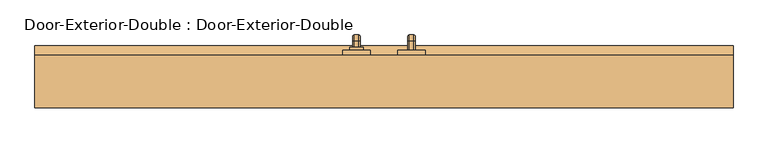
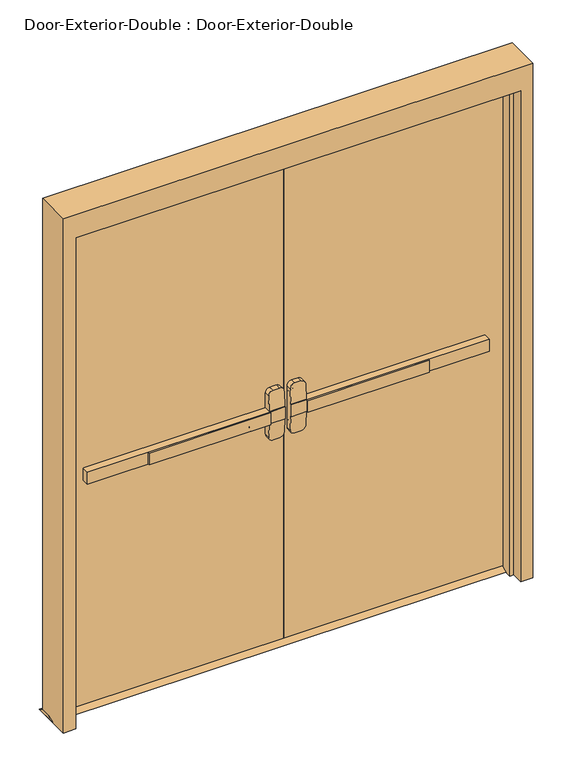
"""IFC4 building model written with IfcOpenShell, lengths in millimetres: door geometry, Door-Exterior-Double : Door-Exterior-Double."""

from ifc_helpers import new_model, si_unit, point, frame, frame_2d, origin, place, context, project, spatial, polyline, circle_curve, ellipse_curve, trimmed, segment, composite_curve, outline, extrude, faceted_brep, source, transform, mapped, element, save
from ifc_brep_helpers import plane_surface, cylinder_surface, revolved_surface, advanced_brep


def door_exterior_double_door_exterior_double_e4630151(model_context):
    return source(origin(), model_context, "Body", "SolidModel", [
        extrude(outline(polyline([(-575.7333333, 66.675), (-575.7333333, 73.025), (-76.2, 73.025), (-76.2, 66.675), (-575.7333333, 66.675)])), frame((0.0, 0.0, 990.6), z_axis=(0.0, 0.0, 1.0), x_axis=(1.0, 0.0, 0.0)), (0.0, 0.0, 1.0), 50.8),
        advanced_brep(
        [(-12.7, 73.025, 1041.4), (-76.2, 73.025, 1041.4), (-825.5, 73.025, 1041.4), (-825.5, 73.025, 990.6), (-76.2, 73.025, 990.6), (-12.7, 73.025, 990.6), (-825.5, 104.775, 1041.4), (-76.2, 104.775, 1041.4), (-76.2, 104.775, 1104.9), (-57.15, 104.775, 1123.95), (-31.75, 104.775, 1123.95), (-12.7, 104.775, 1104.9), (-12.7, 104.775, 927.1), (-31.75, 104.775, 908.05), (-57.15, 104.775, 908.05), (-76.2, 104.775, 927.1), (-76.2, 104.775, 990.6), (-825.5, 104.775, 990.6), (-12.7, 76.2002467, 1041.4), (-76.2, 76.2002467, 1041.4), (-12.7, 76.2002467, 990.6), (-12.7, 81.2104269, 927.1), (-12.7, 81.2104269, 1104.9), (-76.2, 76.2002467, 990.6), (-76.2, 81.2104269, 1104.9), (-76.2, 81.2104269, 927.1), (-57.15, 82.713481, 1123.95), (-31.75, 82.713481, 1123.95), (-31.75, 82.713481, 908.05), (-57.15, 82.713481, 908.05)],
        [
            (0, 1),
            (1, 2),
            (2, 3),
            (3, 4),
            (4, 5),
            (5, 0),
            (6, 7),
            (7, 8),
            (8, 9, circle_curve(frame((-57.15, 104.775, 1104.9), z_axis=(0.0, 1.0, 0.0), x_axis=(-1.0, 0.0, 0.0)), 19.05)),
            (9, 10),
            (10, 11, circle_curve(frame((-31.75, 104.775, 1104.9), z_axis=(0.0, 1.0, 0.0), x_axis=(-1.0, 0.0, 0.0)), 19.05)),
            (11, 12),
            (12, 13, circle_curve(frame((-31.75, 104.775, 927.1), z_axis=(0.0, 1.0, 0.0), x_axis=(-1.0, 0.0, 0.0)), 19.05)),
            (13, 14),
            (14, 15, circle_curve(frame((-57.15, 104.775, 927.1), z_axis=(0.0, 1.0, 0.0), x_axis=(-1.0, 0.0, 0.0)), 19.05)),
            (15, 16),
            (16, 17),
            (17, 6),
            (0, 18),
            (18, 19),
            (19, 7),
            (6, 2),
            (5, 20),
            (20, 21),
            (21, 12),
            (11, 22),
            (22, 18),
            (16, 23),
            (23, 20),
            (3, 17),
            (19, 24),
            (24, 8),
            (15, 25),
            (25, 23),
            (9, 26),
            (26, 27),
            (27, 10),
            (13, 28),
            (28, 29),
            (29, 14),
            (29, 25, ellipse_curve(frame((-57.15, 81.2104269, 927.1), z_axis=(0.0, 0.9969018152893365, 0.07865602756830282), x_axis=(0.0, -0.07865602756830208, 0.9969018152893365)), 19.1092038, 19.05)),
            (24, 26, ellipse_curve(frame((-57.15, 81.2104269, 1104.9), z_axis=(0.0, 0.9969018152893376, -0.07865602756828934), x_axis=(0.0, -0.078656027568288, -0.9969018152893377)), 19.1092038, 19.05)),
            (27, 22, ellipse_curve(frame((-31.75, 81.2104269, 1104.9), z_axis=(0.0, 0.9969018152893376, -0.07865602756828934), x_axis=(0.0, -0.078656027568288, -0.9969018152893377)), 19.1092038, 19.05)),
            (21, 28, ellipse_curve(frame((-31.75, 81.2104269, 927.1), z_axis=(0.0, 0.9969018152893365, 0.07865602756830282), x_axis=(0.0, -0.07865602756830208, 0.9969018152893365)), 19.1092038, 19.05)),
        ],
        [
            plane_surface(frame((-12.7, 73.025, 1041.4), z_axis=(0.0, -1.0, 0.0), x_axis=(1.0, 0.0, 0.0))),
            plane_surface(frame((-12.7, 104.775, 1041.4), z_axis=(0.0, 1.0, 0.0), x_axis=(-1.0, 0.0, 0.0))),
            plane_surface(frame((-825.5, 73.025, 1041.4), z_axis=(0.0, 0.0, 1.0), x_axis=(0.0, 1.0, 0.0))),
            plane_surface(frame((-12.7, 73.025, 1041.4), z_axis=(1.0, 0.0, 0.0), x_axis=(0.0, 1.0, 0.0))),
            plane_surface(frame((-12.7, 73.025, 990.6), z_axis=(0.0, 0.0, -1.0), x_axis=(0.0, 1.0, 0.0))),
            plane_surface(frame((-825.5, 73.025, 990.6), z_axis=(-1.0, 0.0, 0.0), x_axis=(0.0, 1.0, 0.0))),
            plane_surface(frame((-76.2, 76.2002467, 927.1), z_axis=(-1.0, 0.0, 0.0), x_axis=(0.0, 1.0, 0.0))),
            plane_surface(frame((-57.15, 76.2002467, 1123.95), z_axis=(0.0, 0.0, 1.0), x_axis=(0.0, 1.0, 0.0))),
            plane_surface(frame((-31.75, 76.2002467, 908.05), z_axis=(0.0, 0.0, -1.0), x_axis=(0.0, 1.0, 0.0))),
            cylinder_surface(frame((-57.15, 104.775, 927.1), z_axis=(0.0, -1.0, 0.0), x_axis=(-1.0, 0.0, 0.0)), 19.05),
            cylinder_surface(frame((-57.15, 104.775, 1104.9), z_axis=(0.0, -1.0, 0.0), x_axis=(-1.0, 0.0, 0.0)), 19.05),
            cylinder_surface(frame((-31.75, 104.775, 1104.9), z_axis=(0.0, -1.0, 0.0), x_axis=(-1.0, 0.0, 0.0)), 19.05),
            cylinder_surface(frame((-31.75, 104.775, 927.1), z_axis=(0.0, -1.0, 0.0), x_axis=(-1.0, 0.0, 0.0)), 19.05),
            plane_surface(frame((-76.2, 76.2002467, 1041.4), z_axis=(0.0, -0.9969018152893376, 0.07865602756828934), x_axis=(1.0, 0.0, 0.0))),
            plane_surface(frame((-76.2, 82.713481, 908.05), z_axis=(0.0, -0.9969018152893365, -0.07865602756830282), x_axis=(1.0, 0.0, 0.0))),
        ],
        [
            (0, [[1, 2, 3, 4, 5, 6]]),
            (1, [[7, 8, 9, 10, 11, 12, 13, 14, 15, 16, 17, 18]]),
            (2, [[-2, -1, 19, 20, 21, -7, 22]]),
            (3, [[23, 24, 25, -12, 26, 27, -19, -6]]),
            (4, [[-17, 28, 29, -23, -5, -4, 30]]),
            (5, [[-22, -18, -30, -3]]),
            (6, [[-21, 31, 32, -8]]),
            (6, [[33, 34, -28, -16]]),
            (7, [[35, 36, 37, -10]]),
            (8, [[38, 39, 40, -14]]),
            (9, [[-40, 41, -33, -15]]),
            (10, [[-32, 42, -35, -9]]),
            (11, [[-37, 43, -26, -11]]),
            (12, [[-25, 44, -38, -13]]),
            (13, [[-27, -43, -36, -42, -31, -20]]),
            (14, [[-29, -34, -41, -39, -44, -24]]),
        ],
    ),
        extrude(outline(polyline([(149.225, 12.7), (174.625, 0.0), (79.375, 0.0), (104.775, 12.7), (149.225, 12.7)])), frame((-965.2, 0.0, 0.0), z_axis=(1.0, 0.0, 0.0), x_axis=(0.0, 1.0, 0.0)), (0.0, 0.0, 1.0), 1930.4),
        extrude(outline(polyline([(575.7333333, 66.675), (76.2, 66.675), (76.2, 73.025), (575.7333333, 73.025), (575.7333333, 66.675)])), frame((0.0, 0.0, 990.6), z_axis=(0.0, 0.0, 1.0), x_axis=(1.0, 0.0, 0.0)), (0.0, 0.0, 1.0), 50.8),
        advanced_brep(
        [(12.7, 73.025, 1041.4), (12.7, 73.025, 990.6), (76.2, 73.025, 990.6), (825.5, 73.025, 990.6), (825.5, 73.025, 1041.4), (76.2, 73.025, 1041.4), (825.5, 104.775, 1041.4), (825.5, 104.775, 990.6), (76.2, 104.775, 990.6), (76.2, 104.775, 927.1), (57.15, 104.775, 908.05), (31.75, 104.775, 908.05), (12.7, 104.775, 927.1), (12.7, 104.775, 1104.9), (31.75, 104.775, 1123.95), (57.15, 104.775, 1123.95), (76.2, 104.775, 1104.9), (76.2, 104.775, 1041.4), (76.2, 76.2002467, 1041.4), (12.7, 76.2002467, 1041.4), (12.7, 81.2104269, 1104.9), (12.7, 81.2104269, 927.1), (12.7, 76.2002467, 990.6), (76.2, 76.2002467, 990.6), (76.2, 81.2104269, 927.1), (76.2, 81.2104269, 1104.9), (31.75, 82.713481, 1123.95), (57.15, 82.713481, 1123.95), (57.15, 82.713481, 908.05), (31.75, 82.713481, 908.05)],
        [
            (0, 1),
            (1, 2),
            (2, 3),
            (3, 4),
            (4, 5),
            (5, 0),
            (6, 7),
            (7, 8),
            (8, 9),
            (9, 10, circle_curve(frame((57.15, 104.775, 927.1), z_axis=(0.0, 1.0, 0.0), x_axis=(1.0, 0.0, 0.0)), 19.05)),
            (10, 11),
            (11, 12, circle_curve(frame((31.75, 104.775, 927.1), z_axis=(0.0, 1.0, 0.0), x_axis=(1.0, 0.0, 0.0)), 19.05)),
            (12, 13),
            (13, 14, circle_curve(frame((31.75, 104.775, 1104.9), z_axis=(0.0, 1.0, 0.0), x_axis=(1.0, 0.0, 0.0)), 19.05)),
            (14, 15),
            (15, 16, circle_curve(frame((57.15, 104.775, 1104.9), z_axis=(0.0, 1.0, 0.0), x_axis=(1.0, 0.0, 0.0)), 19.05)),
            (16, 17),
            (17, 6),
            (4, 6),
            (17, 18),
            (18, 19),
            (19, 0),
            (19, 20),
            (20, 13),
            (12, 21),
            (21, 22),
            (22, 1),
            (7, 3),
            (22, 23),
            (23, 8),
            (23, 24),
            (24, 9),
            (16, 25),
            (25, 18),
            (14, 26),
            (26, 27),
            (27, 15),
            (10, 28),
            (28, 29),
            (29, 11),
            (24, 28, ellipse_curve(frame((57.15, 81.2104269, 927.1), z_axis=(0.0, 0.9969018152893365, 0.07865602756830282), x_axis=(0.0, -0.07865602756830208, 0.9969018152893365)), 19.1092038, 19.05)),
            (27, 25, ellipse_curve(frame((57.15, 81.2104269, 1104.9), z_axis=(0.0, 0.9969018152893376, -0.07865602756828934), x_axis=(0.0, -0.078656027568288, -0.9969018152893377)), 19.1092038, 19.05)),
            (20, 26, ellipse_curve(frame((31.75, 81.2104269, 1104.9), z_axis=(0.0, 0.9969018152893376, -0.07865602756828934), x_axis=(0.0, -0.078656027568288, -0.9969018152893377)), 19.1092038, 19.05)),
            (29, 21, ellipse_curve(frame((31.75, 81.2104269, 927.1), z_axis=(0.0, 0.9969018152893365, 0.07865602756830282), x_axis=(0.0, -0.07865602756830208, 0.9969018152893365)), 19.1092038, 19.05)),
        ],
        [
            plane_surface(frame((12.7, 73.025, 1041.4), z_axis=(0.0, -1.0, 0.0), x_axis=(-1.0, 0.0, 0.0))),
            plane_surface(frame((12.7, 104.775, 1041.4), z_axis=(0.0, 1.0, 0.0), x_axis=(1.0, 0.0, 0.0))),
            plane_surface(frame((825.5, 73.025, 1041.4), z_axis=(0.0, 0.0, 1.0), x_axis=(0.0, 1.0, 0.0))),
            plane_surface(frame((12.7, 73.025, 1041.4), z_axis=(-1.0, 0.0, 0.0), x_axis=(0.0, 1.0, 0.0))),
            plane_surface(frame((12.7, 73.025, 990.6), z_axis=(0.0, 0.0, -1.0), x_axis=(0.0, 1.0, 0.0))),
            plane_surface(frame((825.5, 73.025, 990.6), z_axis=(1.0, 0.0, 0.0), x_axis=(0.0, 1.0, 0.0))),
            plane_surface(frame((76.2, 76.2002467, 927.1), z_axis=(1.0, 0.0, 0.0), x_axis=(0.0, 1.0, 0.0))),
            plane_surface(frame((57.15, 76.2002467, 1123.95), z_axis=(0.0, 0.0, 1.0), x_axis=(0.0, 1.0, 0.0))),
            plane_surface(frame((31.75, 76.2002467, 908.05), z_axis=(0.0, 0.0, -1.0), x_axis=(0.0, 1.0, 0.0))),
            cylinder_surface(frame((57.15, 104.775, 927.1), z_axis=(0.0, -1.0, 0.0), x_axis=(1.0, 0.0, 0.0)), 19.05),
            cylinder_surface(frame((57.15, 104.775, 1104.9), z_axis=(0.0, -1.0, 0.0), x_axis=(1.0, 0.0, 0.0)), 19.05),
            cylinder_surface(frame((31.75, 104.775, 1104.9), z_axis=(0.0, -1.0, 0.0), x_axis=(1.0, 0.0, 0.0)), 19.05),
            cylinder_surface(frame((31.75, 104.775, 927.1), z_axis=(0.0, -1.0, 0.0), x_axis=(1.0, 0.0, 0.0)), 19.05),
            plane_surface(frame((76.2, 76.2002467, 1041.4), z_axis=(0.0, -0.9969018152893376, 0.07865602756828934), x_axis=(-1.0, 0.0, 0.0))),
            plane_surface(frame((76.2, 82.713481, 908.05), z_axis=(0.0, -0.9969018152893365, -0.07865602756830282), x_axis=(-1.0, 0.0, 0.0))),
        ],
        [
            (0, [[1, 2, 3, 4, 5, 6]]),
            (1, [[7, 8, 9, 10, 11, 12, 13, 14, 15, 16, 17, 18]]),
            (2, [[19, -18, 20, 21, 22, -6, -5]]),
            (3, [[-1, -22, 23, 24, -13, 25, 26, 27]]),
            (4, [[28, -3, -2, -27, 29, 30, -8]]),
            (5, [[-4, -28, -7, -19]]),
            (6, [[-9, -30, 31, 32]]),
            (6, [[-17, 33, 34, -20]]),
            (7, [[-15, 35, 36, 37]]),
            (8, [[-11, 38, 39, 40]]),
            (9, [[-10, -32, 41, -38]]),
            (10, [[-16, -37, 42, -33]]),
            (11, [[-14, -24, 43, -35]]),
            (12, [[-12, -40, 44, -25]]),
            (13, [[-21, -34, -42, -36, -43, -23]]),
            (14, [[-26, -44, -39, -41, -31, -29]]),
        ],
    ),
        advanced_brep(
        [(66.2, 161.925, 1017.190625), (66.2, 161.925, 1014.809375), (69.771875, 161.925, 1011.2375), (82.6284594, 161.925, 1011.2375), (86.2, 161.925, 1014.8090406), (86.2, 161.925, 1017.190625), (82.628125, 161.925, 1020.7625), (69.771875, 161.925, 1020.7625), (66.2, 161.925, 887.809375), (69.771875, 161.925, 884.2375), (82.628125, 161.925, 884.2375), (86.2, 161.925, 887.809375), (86.2, 161.925, 890.1909594), (82.6284594, 161.925, 893.7625), (69.771875, 161.925, 893.7625), (66.2, 161.925, 890.190625), (66.2, 187.325, 1017.190625), (66.2, 201.215625, 1003.3), (66.2, 201.215625, 901.7), (66.2, 187.325, 887.809375), (66.2, 187.325, 890.190625), (66.2, 198.834375, 901.7), (66.2, 198.834375, 1003.3), (66.2, 187.325, 1014.809375), (69.771875, 187.325, 1011.2375), (82.6284594, 187.325, 1011.2375), (86.2, 187.325, 1014.8090406), (86.2, 198.8340406, 1003.3), (86.2, 198.8340406, 901.7), (86.2, 187.325, 890.1909594), (86.2, 187.325, 887.809375), (86.2, 201.215625, 901.7), (86.2, 201.215625, 1003.3), (86.2, 187.325, 1017.190625), (82.628125, 187.325, 1020.7625), (69.771875, 187.325, 1020.7625), (69.771875, 195.2625, 1003.3), (82.6284594, 195.2625, 1003.3), (82.628125, 204.7875, 1003.3), (69.771875, 204.7875, 1003.3), (69.771875, 195.2625, 901.7), (82.6284594, 195.2625, 901.7), (82.628125, 204.7875, 901.7), (69.771875, 204.7875, 901.7), (69.771875, 187.325, 893.7625), (82.6284594, 187.325, 893.7625), (82.628125, 187.325, 884.2375), (69.771875, 187.325, 884.2375)],
        [
            (0, 1),
            (1, 2, circle_curve(frame((69.771875, 161.925, 1014.809375), z_axis=(0.0, -1.0, 0.0), x_axis=(0.0, 0.0, 1.0)), 3.571875)),
            (2, 3),
            (3, 4, circle_curve(frame((82.6284594, 161.925, 1014.8090406), z_axis=(0.0, -1.0, 0.0), x_axis=(0.0, 0.0, 1.0)), 3.5715406)),
            (4, 5),
            (5, 6, circle_curve(frame((82.628125, 161.925, 1017.190625), z_axis=(0.0, -1.0, 0.0), x_axis=(0.0, 0.0, 1.0)), 3.571875)),
            (6, 7),
            (7, 0, circle_curve(frame((69.771875, 161.925, 1017.190625), z_axis=(0.0, -1.0, 0.0), x_axis=(0.0, 0.0, 1.0)), 3.571875)),
            (8, 9, circle_curve(frame((69.771875, 161.925, 887.809375), z_axis=(0.0, -1.0, 0.0), x_axis=(0.0, 0.0, -1.0)), 3.571875)),
            (9, 10),
            (10, 11, circle_curve(frame((82.628125, 161.925, 887.809375), z_axis=(0.0, -1.0, 0.0), x_axis=(0.0, 0.0, -1.0)), 3.571875)),
            (11, 12),
            (12, 13, circle_curve(frame((82.6284594, 161.925, 890.1909594), z_axis=(0.0, -1.0, 0.0), x_axis=(0.0, 0.0, -1.0)), 3.5715406)),
            (13, 14),
            (14, 15, circle_curve(frame((69.771875, 161.925, 890.190625), z_axis=(0.0, -1.0, 0.0), x_axis=(0.0, 0.0, -1.0)), 3.571875)),
            (15, 8),
            (0, 16),
            (16, 17, circle_curve(frame((66.2, 187.325, 1003.3), z_axis=(-1.0, 0.0, 0.0), x_axis=(0.0, 0.0, 1.0)), 13.890625)),
            (17, 18),
            (18, 19, circle_curve(frame((66.2, 187.325, 901.7), z_axis=(-1.0, 0.0, 0.0), x_axis=(0.0, 1.0, 0.0)), 13.890625)),
            (19, 8),
            (15, 20),
            (20, 21, circle_curve(frame((66.2, 187.325, 901.7), z_axis=(1.0, 0.0, 0.0), x_axis=(0.0, 1.0, 0.0)), 11.509375)),
            (21, 22),
            (22, 23, circle_curve(frame((66.2, 187.325, 1003.3), z_axis=(1.0, 0.0, 0.0), x_axis=(0.0, 0.0, 1.0)), 11.509375)),
            (23, 1),
            (23, 24, circle_curve(frame((69.771875, 187.325, 1014.809375), z_axis=(0.0, -1.0, 0.0), x_axis=(0.0, 0.0, 1.0)), 3.571875)),
            (24, 2),
            (24, 25),
            (25, 3),
            (25, 26, circle_curve(frame((82.6284594, 187.325, 1014.8090406), z_axis=(0.0, -1.0, 0.0), x_axis=(0.0, 0.0, 1.0)), 3.5715406)),
            (26, 4),
            (26, 27, circle_curve(frame((86.2, 187.325, 1003.3), z_axis=(-1.0, 0.0, 0.0), x_axis=(0.0, 0.0, 1.0)), 11.5090406)),
            (27, 28),
            (28, 29, circle_curve(frame((86.2, 187.325, 901.7), z_axis=(-1.0, 0.0, 0.0), x_axis=(0.0, 1.0, 0.0)), 11.5090406)),
            (29, 12),
            (11, 30),
            (30, 31, circle_curve(frame((86.2, 187.325, 901.7), z_axis=(1.0, 0.0, 0.0), x_axis=(0.0, 1.0, 0.0)), 13.890625)),
            (31, 32),
            (32, 33, circle_curve(frame((86.2, 187.325, 1003.3), z_axis=(1.0, 0.0, 0.0), x_axis=(0.0, 0.0, 1.0)), 13.890625)),
            (33, 5),
            (33, 34, circle_curve(frame((82.628125, 187.325, 1017.190625), z_axis=(0.0, -1.0, 0.0), x_axis=(0.0, 0.0, 1.0)), 3.571875)),
            (34, 6),
            (34, 35),
            (35, 7),
            (35, 16, circle_curve(frame((69.771875, 187.325, 1017.190625), z_axis=(0.0, -1.0, 0.0), x_axis=(0.0, 0.0, 1.0)), 3.571875)),
            (36, 24, circle_curve(frame((69.771875, 187.325, 1003.3), z_axis=(1.0, 0.0, 0.0), x_axis=(0.0, 0.0, 1.0)), 7.9375)),
            (22, 36, circle_curve(frame((69.771875, 198.834375, 1003.3), z_axis=(0.0, 0.0, 1.0), x_axis=(0.0, 1.0, 0.0)), 3.571875)),
            (37, 25, circle_curve(frame((82.6284594, 187.325, 1003.3), z_axis=(1.0, 0.0, 0.0), x_axis=(0.0, 0.0, 1.0)), 7.9375)),
            (36, 37),
            (37, 27, circle_curve(frame((82.6284594, 198.8340406, 1003.3), z_axis=(0.0, 0.0, 1.0), x_axis=(0.0, 1.0, 0.0)), 3.5715406)),
            (38, 34, circle_curve(frame((82.628125, 187.325, 1003.3), z_axis=(1.0, 0.0, 0.0), x_axis=(0.0, 0.0, 1.0)), 17.4625)),
            (32, 38, circle_curve(frame((82.628125, 201.215625, 1003.3), z_axis=(0.0, 0.0, 1.0), x_axis=(0.0, 1.0, 0.0)), 3.571875)),
            (39, 35, circle_curve(frame((69.771875, 187.325, 1003.3), z_axis=(1.0, 0.0, 0.0), x_axis=(0.0, 0.0, 1.0)), 17.4625)),
            (38, 39),
            (39, 17, circle_curve(frame((69.771875, 201.215625, 1003.3), z_axis=(0.0, 0.0, 1.0), x_axis=(0.0, 1.0, 0.0)), 3.571875)),
            (21, 40, circle_curve(frame((69.771875, 198.834375, 901.7), z_axis=(0.0, 0.0, 1.0), x_axis=(0.0, 1.0, 0.0)), 3.571875)),
            (40, 36),
            (40, 41),
            (41, 37),
            (41, 28, circle_curve(frame((82.6284594, 198.8340406, 901.7), z_axis=(0.0, 0.0, 1.0), x_axis=(0.0, 1.0, 0.0)), 3.5715406)),
            (31, 42, circle_curve(frame((82.628125, 201.215625, 901.7), z_axis=(0.0, 0.0, 1.0), x_axis=(0.0, 1.0, 0.0)), 3.571875)),
            (42, 38),
            (42, 43),
            (43, 39),
            (43, 18, circle_curve(frame((69.771875, 201.215625, 901.7), z_axis=(0.0, 0.0, 1.0), x_axis=(0.0, 1.0, 0.0)), 3.571875)),
            (44, 40, circle_curve(frame((69.771875, 187.325, 901.7), z_axis=(1.0, 0.0, 0.0), x_axis=(0.0, 1.0, 0.0)), 7.9375)),
            (20, 44, circle_curve(frame((69.771875, 187.325, 890.190625), z_axis=(0.0, 1.0, 0.0), x_axis=(0.0, 0.0, -1.0)), 3.571875)),
            (45, 41, circle_curve(frame((82.6284594, 187.325, 901.7), z_axis=(1.0, 0.0, 0.0), x_axis=(0.0, 1.0, 0.0)), 7.9375)),
            (44, 45),
            (45, 29, circle_curve(frame((82.6284594, 187.325, 890.1909594), z_axis=(0.0, 1.0, 0.0), x_axis=(0.0, 0.0, -1.0)), 3.5715406)),
            (46, 42, circle_curve(frame((82.628125, 187.325, 901.7), z_axis=(1.0, 0.0, 0.0), x_axis=(0.0, 1.0, 0.0)), 17.4625)),
            (30, 46, circle_curve(frame((82.628125, 187.325, 887.809375), z_axis=(0.0, 1.0, 0.0), x_axis=(0.0, 0.0, -1.0)), 3.571875)),
            (47, 43, circle_curve(frame((69.771875, 187.325, 901.7), z_axis=(1.0, 0.0, 0.0), x_axis=(0.0, 1.0, 0.0)), 17.4625)),
            (46, 47),
            (47, 19, circle_curve(frame((69.771875, 187.325, 887.809375), z_axis=(0.0, 1.0, 0.0), x_axis=(0.0, 0.0, -1.0)), 3.571875)),
            (14, 44),
            (13, 45),
            (10, 46),
            (9, 47),
        ],
        [
            plane_surface(frame((76.2, 161.925, 1016.0), z_axis=(0.0, -1.0, 0.0), x_axis=(1.0, 0.0, 0.0))),
            plane_surface(frame((76.2, 161.925, 889.0), z_axis=(0.0, -1.0, 0.0), x_axis=(1.0, 0.0, 0.0))),
            plane_surface(frame((66.2, 161.925, 1017.190625), z_axis=(-1.0, 0.0, 0.0), x_axis=(0.0, 1.0, 0.0))),
            cylinder_surface(frame((69.771875, 161.925, 1014.809375), z_axis=(0.0, -1.0, 0.0), x_axis=(0.0, 0.0, 1.0)), 3.571875),
            plane_surface(frame((69.771875, 161.925, 1011.2375), z_axis=(0.0, 0.0, -1.0), x_axis=(0.0, 1.0, 0.0))),
            cylinder_surface(frame((82.6284594, 161.925, 1014.8090406), z_axis=(0.0, -1.0, 0.0), x_axis=(0.0, 0.0, 1.0)), 3.5715406),
            plane_surface(frame((86.2, 161.925, 1014.8090406), z_axis=(1.0, 0.0, 0.0), x_axis=(0.0, 1.0, 0.0))),
            cylinder_surface(frame((82.628125, 161.925, 1017.190625), z_axis=(0.0, -1.0, 0.0), x_axis=(0.0, 0.0, 1.0)), 3.571875),
            plane_surface(frame((82.628125, 161.925, 1020.7625), z_axis=(0.0, 0.0, 1.0), x_axis=(0.0, 1.0, 0.0))),
            cylinder_surface(frame((69.771875, 161.925, 1017.190625), z_axis=(0.0, -1.0, 0.0), x_axis=(0.0, 0.0, 1.0)), 3.571875),
            revolved_surface(trimmed(ellipse_curve(frame((69.771875, 187.325, 1014.809375), z_axis=(0.0, -1.0, 0.0), x_axis=(0.0, 0.0, 1.0)), 3.571875, 3.571875), [point((66.2, 187.325, 1014.809375))], [point((69.771875, 187.325, 1011.2375))], True, "CARTESIAN"), (76.2, 187.325, 1003.3), (-1.0, 0.0, 0.0)),
            revolved_surface(polyline([(69.771875, 187.325, 1011.2375), (82.6284594, 187.325, 1011.2375)]), (76.2, 187.325, 1003.3), (-1.0, 0.0, 0.0)),
            revolved_surface(trimmed(ellipse_curve(frame((82.6284594, 187.325, 1014.8090406), z_axis=(0.0, -1.0, 0.0), x_axis=(0.0, 0.0, 1.0)), 3.5715406, 3.5715406), [point((82.6284594, 187.325, 1011.2375))], [point((86.2, 187.325, 1014.8090406))], True, "CARTESIAN"), (76.2, 187.325, 1003.3), (-1.0, 0.0, 0.0)),
            revolved_surface(trimmed(ellipse_curve(frame((82.628125, 187.325, 1017.190625), z_axis=(0.0, -1.0, 0.0), x_axis=(0.0, 0.0, 1.0)), 3.571875, 3.571875), [point((86.2, 187.325, 1017.190625))], [point((82.628125, 187.325, 1020.7625))], True, "CARTESIAN"), (76.2, 187.325, 1003.3), (-1.0, 0.0, 0.0)),
            cylinder_surface(frame((76.2, 187.325, 1003.3), z_axis=(-1.0, 0.0, 0.0), x_axis=(0.0, 0.0, 1.0)), 17.4625),
            revolved_surface(trimmed(ellipse_curve(frame((69.771875, 187.325, 1017.190625), z_axis=(0.0, -1.0, 0.0), x_axis=(0.0, 0.0, 1.0)), 3.571875, 3.571875), [point((69.771875, 187.325, 1020.7625))], [point((66.2, 187.325, 1017.190625))], True, "CARTESIAN"), (76.2, 187.325, 1003.3), (-1.0, 0.0, 0.0)),
            cylinder_surface(frame((69.771875, 198.834375, 1003.3), z_axis=(0.0, 0.0, 1.0), x_axis=(0.0, 1.0, 0.0)), 3.571875),
            plane_surface(frame((69.771875, 195.2625, 1003.3), z_axis=(0.0, -1.0, 0.0), x_axis=(0.0, 0.0, -1.0))),
            cylinder_surface(frame((82.6284594, 198.8340406, 1003.3), z_axis=(0.0, 0.0, 1.0), x_axis=(0.0, 1.0, 0.0)), 3.5715406),
            cylinder_surface(frame((82.628125, 201.215625, 1003.3), z_axis=(0.0, 0.0, 1.0), x_axis=(0.0, 1.0, 0.0)), 3.571875),
            plane_surface(frame((82.628125, 204.7875, 1003.3), z_axis=(0.0, 1.0, 0.0), x_axis=(0.0, 0.0, -1.0))),
            cylinder_surface(frame((69.771875, 201.215625, 1003.3), z_axis=(0.0, 0.0, 1.0), x_axis=(0.0, 1.0, 0.0)), 3.571875),
            revolved_surface(trimmed(ellipse_curve(frame((69.771875, 198.834375, 901.7), z_axis=(0.0, 0.0, 1.0), x_axis=(0.0, 1.0, 0.0)), 3.571875, 3.571875), [point((66.2, 198.834375, 901.7))], [point((69.771875, 195.2625, 901.7))], True, "CARTESIAN"), (76.2, 187.325, 901.7), (-1.0, 0.0, 0.0)),
            revolved_surface(polyline([(69.771875, 195.2625, 901.7), (82.6284594, 195.2625, 901.7)]), (76.2, 187.325, 901.7), (-1.0, 0.0, 0.0)),
            revolved_surface(trimmed(ellipse_curve(frame((82.6284594, 198.8340406, 901.7), z_axis=(0.0, 0.0, 1.0), x_axis=(0.0, 1.0, 0.0)), 3.5715406, 3.5715406), [point((82.6284594, 195.2625, 901.7))], [point((86.2, 198.8340406, 901.7))], True, "CARTESIAN"), (76.2, 187.325, 901.7), (-1.0, 0.0, 0.0)),
            revolved_surface(trimmed(ellipse_curve(frame((82.628125, 201.215625, 901.7), z_axis=(0.0, 0.0, 1.0), x_axis=(0.0, 1.0, 0.0)), 3.571875, 3.571875), [point((86.2, 201.215625, 901.7))], [point((82.628125, 204.7875, 901.7))], True, "CARTESIAN"), (76.2, 187.325, 901.7), (-1.0, 0.0, 0.0)),
            cylinder_surface(frame((76.2, 187.325, 901.7), z_axis=(-1.0, 0.0, 0.0), x_axis=(0.0, 1.0, 0.0)), 17.4625),
            revolved_surface(trimmed(ellipse_curve(frame((69.771875, 201.215625, 901.7), z_axis=(0.0, 0.0, 1.0), x_axis=(0.0, 1.0, 0.0)), 3.571875, 3.571875), [point((69.771875, 204.7875, 901.7))], [point((66.2, 201.215625, 901.7))], True, "CARTESIAN"), (76.2, 187.325, 901.7), (-1.0, 0.0, 0.0)),
            cylinder_surface(frame((69.771875, 187.325, 890.190625), z_axis=(0.0, 1.0, 0.0), x_axis=(0.0, 0.0, -1.0)), 3.571875),
            plane_surface(frame((69.771875, 187.325, 893.7625), z_axis=(0.0, 0.0, 1.0), x_axis=(0.0, -1.0, 0.0))),
            cylinder_surface(frame((82.6284594, 187.325, 890.1909594), z_axis=(0.0, 1.0, 0.0), x_axis=(0.0, 0.0, -1.0)), 3.5715406),
            cylinder_surface(frame((82.628125, 187.325, 887.809375), z_axis=(0.0, 1.0, 0.0), x_axis=(0.0, 0.0, -1.0)), 3.571875),
            plane_surface(frame((82.628125, 187.325, 884.2375), z_axis=(0.0, 0.0, -1.0), x_axis=(0.0, -1.0, 0.0))),
            cylinder_surface(frame((69.771875, 187.325, 887.809375), z_axis=(0.0, 1.0, 0.0), x_axis=(0.0, 0.0, -1.0)), 3.571875),
        ],
        [
            (0, [[1, 2, 3, 4, 5, 6, 7, 8]]),
            (1, [[9, 10, 11, 12, 13, 14, 15, 16]]),
            (2, [[-1, 17, 18, 19, 20, 21, -16, 22, 23, 24, 25, 26]]),
            (3, [[-2, -26, 27, 28]]),
            (4, [[-3, -28, 29, 30]]),
            (5, [[-4, -30, 31, 32]]),
            (6, [[-5, -32, 33, 34, 35, 36, -12, 37, 38, 39, 40, 41]]),
            (7, [[-6, -41, 42, 43]]),
            (8, [[-7, -43, 44, 45]]),
            (9, [[-8, -45, 46, -17]]),
            (10, [[47, -27, -25, 48]]),
            (11, [[49, -29, -47, 50]]),
            (12, [[-33, -31, -49, 51]]),
            (13, [[52, -42, -40, 53]]),
            (14, [[54, -44, -52, 55]]),
            (15, [[-18, -46, -54, 56]]),
            (16, [[-48, -24, 57, 58]]),
            (17, [[-50, -58, 59, 60]]),
            (18, [[-51, -60, 61, -34]]),
            (19, [[-53, -39, 62, 63]]),
            (20, [[-55, -63, 64, 65]]),
            (21, [[-56, -65, 66, -19]]),
            (22, [[67, -57, -23, 68]]),
            (23, [[69, -59, -67, 70]]),
            (24, [[-35, -61, -69, 71]]),
            (25, [[72, -62, -38, 73]]),
            (26, [[74, -64, -72, 75]]),
            (27, [[-20, -66, -74, 76]]),
            (28, [[-68, -22, -15, 77]]),
            (29, [[-70, -77, -14, 78]]),
            (30, [[-71, -78, -13, -36]]),
            (31, [[-73, -37, -11, 79]]),
            (32, [[-75, -79, -10, 80]]),
            (33, [[-76, -80, -9, -21]]),
        ],
    ),
        extrude(outline(composite_curve([segment(trimmed(circle_curve(frame_2d((1113.0338574, 76.2)), 89.3016225), [point((1193.8, 114.3))], [point((1193.8, 38.1))], False, "CARTESIAN"), True, "CONTINUOUS"), segment(polyline([(1193.8, 38.1), (838.2, 38.1)]), True, "CONTINUOUS"), segment(trimmed(circle_curve(frame_2d((918.9661426, 76.2)), 89.3016225), [point((838.2, 38.1))], [point((838.2, 114.3))], False, "CARTESIAN"), True, "CONTINUOUS"), segment(polyline([(838.2, 114.3), (1193.8, 114.3)]), True, "CONTINUOUS")], self_intersect=False)), frame((0.0, 149.225, 0.0), z_axis=(0.0, 1.0, 0.0), x_axis=(0.0, 0.0, 1.0)), (0.0, 0.0, 1.0), 12.7),
        advanced_brep(
        [(-86.2, 161.925, 1017.190625), (-86.2, 161.925, 1014.809375), (-82.628125, 161.925, 1011.2375), (-69.7715406, 161.925, 1011.2375), (-66.2, 161.925, 1014.8090406), (-66.2, 161.925, 1017.190625), (-69.771875, 161.925, 1020.7625), (-82.628125, 161.925, 1020.7625), (-86.2, 161.925, 887.809375), (-82.628125, 161.925, 884.2375), (-69.771875, 161.925, 884.2375), (-66.2, 161.925, 887.809375), (-66.2, 161.925, 890.1909594), (-69.7715406, 161.925, 893.7625), (-82.628125, 161.925, 893.7625), (-86.2, 161.925, 890.190625), (-86.2, 187.325, 1017.190625), (-86.2, 201.215625, 1003.3), (-86.2, 201.215625, 901.7), (-86.2, 187.325, 887.809375), (-86.2, 187.325, 890.190625), (-86.2, 198.834375, 901.7), (-86.2, 198.834375, 1003.3), (-86.2, 187.325, 1014.809375), (-82.628125, 187.325, 1011.2375), (-69.7715406, 187.325, 1011.2375), (-66.2, 187.325, 1014.8090406), (-66.2, 198.8340406, 1003.3), (-66.2, 198.8340406, 901.7), (-66.2, 187.325, 890.1909594), (-66.2, 187.325, 887.809375), (-66.2, 201.215625, 901.7), (-66.2, 201.215625, 1003.3), (-66.2, 187.325, 1017.190625), (-69.771875, 187.325, 1020.7625), (-82.628125, 187.325, 1020.7625), (-82.628125, 195.2625, 1003.3), (-69.7715406, 195.2625, 1003.3), (-69.771875, 204.7875, 1003.3), (-82.628125, 204.7875, 1003.3), (-82.628125, 195.2625, 901.7), (-69.7715406, 195.2625, 901.7), (-69.771875, 204.7875, 901.7), (-82.628125, 204.7875, 901.7), (-82.628125, 187.325, 893.7625), (-69.7715406, 187.325, 893.7625), (-69.771875, 187.325, 884.2375), (-82.628125, 187.325, 884.2375)],
        [
            (0, 1),
            (1, 2, circle_curve(frame((-82.628125, 161.925, 1014.809375), z_axis=(0.0, -1.0, 0.0), x_axis=(0.0, 0.0, 1.0)), 3.571875)),
            (2, 3),
            (3, 4, circle_curve(frame((-69.7715406, 161.925, 1014.8090406), z_axis=(0.0, -1.0, 0.0), x_axis=(0.0, 0.0, 1.0)), 3.5715406)),
            (4, 5),
            (5, 6, circle_curve(frame((-69.771875, 161.925, 1017.190625), z_axis=(0.0, -1.0, 0.0), x_axis=(0.0, 0.0, 1.0)), 3.571875)),
            (6, 7),
            (7, 0, circle_curve(frame((-82.628125, 161.925, 1017.190625), z_axis=(0.0, -1.0, 0.0), x_axis=(0.0, 0.0, 1.0)), 3.571875)),
            (8, 9, circle_curve(frame((-82.628125, 161.925, 887.809375), z_axis=(0.0, -1.0, 0.0), x_axis=(0.0, 0.0, -1.0)), 3.571875)),
            (9, 10),
            (10, 11, circle_curve(frame((-69.771875, 161.925, 887.809375), z_axis=(0.0, -1.0, 0.0), x_axis=(0.0, 0.0, -1.0)), 3.571875)),
            (11, 12),
            (12, 13, circle_curve(frame((-69.7715406, 161.925, 890.1909594), z_axis=(0.0, -1.0, 0.0), x_axis=(0.0, 0.0, -1.0)), 3.5715406)),
            (13, 14),
            (14, 15, circle_curve(frame((-82.628125, 161.925, 890.190625), z_axis=(0.0, -1.0, 0.0), x_axis=(0.0, 0.0, -1.0)), 3.571875)),
            (15, 8),
            (0, 16),
            (16, 17, circle_curve(frame((-86.2, 187.325, 1003.3), z_axis=(-1.0, 0.0, 0.0), x_axis=(0.0, 0.0, 1.0)), 13.890625)),
            (17, 18),
            (18, 19, circle_curve(frame((-86.2, 187.325, 901.7), z_axis=(-1.0, 0.0, 0.0), x_axis=(0.0, 1.0, 0.0)), 13.890625)),
            (19, 8),
            (15, 20),
            (20, 21, circle_curve(frame((-86.2, 187.325, 901.7), z_axis=(1.0, 0.0, 0.0), x_axis=(0.0, 1.0, 0.0)), 11.509375)),
            (21, 22),
            (22, 23, circle_curve(frame((-86.2, 187.325, 1003.3), z_axis=(1.0, 0.0, 0.0), x_axis=(0.0, 0.0, 1.0)), 11.509375)),
            (23, 1),
            (23, 24, circle_curve(frame((-82.628125, 187.325, 1014.809375), z_axis=(0.0, -1.0, 0.0), x_axis=(0.0, 0.0, 1.0)), 3.571875)),
            (24, 2),
            (24, 25),
            (25, 3),
            (25, 26, circle_curve(frame((-69.7715406, 187.325, 1014.8090406), z_axis=(0.0, -1.0, 0.0), x_axis=(0.0, 0.0, 1.0)), 3.5715406)),
            (26, 4),
            (26, 27, circle_curve(frame((-66.2, 187.325, 1003.3), z_axis=(-1.0, 0.0, 0.0), x_axis=(0.0, 0.0, 1.0)), 11.5090406)),
            (27, 28),
            (28, 29, circle_curve(frame((-66.2, 187.325, 901.7), z_axis=(-1.0, 0.0, 0.0), x_axis=(0.0, 1.0, 0.0)), 11.5090406)),
            (29, 12),
            (11, 30),
            (30, 31, circle_curve(frame((-66.2, 187.325, 901.7), z_axis=(1.0, 0.0, 0.0), x_axis=(0.0, 1.0, 0.0)), 13.890625)),
            (31, 32),
            (32, 33, circle_curve(frame((-66.2, 187.325, 1003.3), z_axis=(1.0, 0.0, 0.0), x_axis=(0.0, 0.0, 1.0)), 13.890625)),
            (33, 5),
            (33, 34, circle_curve(frame((-69.771875, 187.325, 1017.190625), z_axis=(0.0, -1.0, 0.0), x_axis=(0.0, 0.0, 1.0)), 3.571875)),
            (34, 6),
            (34, 35),
            (35, 7),
            (35, 16, circle_curve(frame((-82.628125, 187.325, 1017.190625), z_axis=(0.0, -1.0, 0.0), x_axis=(0.0, 0.0, 1.0)), 3.571875)),
            (36, 24, circle_curve(frame((-82.628125, 187.325, 1003.3), z_axis=(1.0, 0.0, 0.0), x_axis=(0.0, 0.0, 1.0)), 7.9375)),
            (22, 36, circle_curve(frame((-82.628125, 198.834375, 1003.3), z_axis=(0.0, 0.0, 1.0), x_axis=(0.0, 1.0, 0.0)), 3.571875)),
            (37, 25, circle_curve(frame((-69.7715406, 187.325, 1003.3), z_axis=(1.0, 0.0, 0.0), x_axis=(0.0, 0.0, 1.0)), 7.9375)),
            (36, 37),
            (37, 27, circle_curve(frame((-69.7715406, 198.8340406, 1003.3), z_axis=(0.0, 0.0, 1.0), x_axis=(0.0, 1.0, 0.0)), 3.5715406)),
            (38, 34, circle_curve(frame((-69.771875, 187.325, 1003.3), z_axis=(1.0, 0.0, 0.0), x_axis=(0.0, 0.0, 1.0)), 17.4625)),
            (32, 38, circle_curve(frame((-69.771875, 201.215625, 1003.3), z_axis=(0.0, 0.0, 1.0), x_axis=(0.0, 1.0, 0.0)), 3.571875)),
            (39, 35, circle_curve(frame((-82.628125, 187.325, 1003.3), z_axis=(1.0, 0.0, 0.0), x_axis=(0.0, 0.0, 1.0)), 17.4625)),
            (38, 39),
            (39, 17, circle_curve(frame((-82.628125, 201.215625, 1003.3), z_axis=(0.0, 0.0, 1.0), x_axis=(0.0, 1.0, 0.0)), 3.571875)),
            (21, 40, circle_curve(frame((-82.628125, 198.834375, 901.7), z_axis=(0.0, 0.0, 1.0), x_axis=(0.0, 1.0, 0.0)), 3.571875)),
            (40, 36),
            (40, 41),
            (41, 37),
            (41, 28, circle_curve(frame((-69.7715406, 198.8340406, 901.7), z_axis=(0.0, 0.0, 1.0), x_axis=(0.0, 1.0, 0.0)), 3.5715406)),
            (31, 42, circle_curve(frame((-69.771875, 201.215625, 901.7), z_axis=(0.0, 0.0, 1.0), x_axis=(0.0, 1.0, 0.0)), 3.571875)),
            (42, 38),
            (42, 43),
            (43, 39),
            (43, 18, circle_curve(frame((-82.628125, 201.215625, 901.7), z_axis=(0.0, 0.0, 1.0), x_axis=(0.0, 1.0, 0.0)), 3.571875)),
            (44, 40, circle_curve(frame((-82.628125, 187.325, 901.7), z_axis=(1.0, 0.0, 0.0), x_axis=(0.0, 1.0, 0.0)), 7.9375)),
            (20, 44, circle_curve(frame((-82.628125, 187.325, 890.190625), z_axis=(0.0, 1.0, 0.0), x_axis=(0.0, 0.0, -1.0)), 3.571875)),
            (45, 41, circle_curve(frame((-69.7715406, 187.325, 901.7), z_axis=(1.0, 0.0, 0.0), x_axis=(0.0, 1.0, 0.0)), 7.9375)),
            (44, 45),
            (45, 29, circle_curve(frame((-69.7715406, 187.325, 890.1909594), z_axis=(0.0, 1.0, 0.0), x_axis=(0.0, 0.0, -1.0)), 3.5715406)),
            (46, 42, circle_curve(frame((-69.771875, 187.325, 901.7), z_axis=(1.0, 0.0, 0.0), x_axis=(0.0, 1.0, 0.0)), 17.4625)),
            (30, 46, circle_curve(frame((-69.771875, 187.325, 887.809375), z_axis=(0.0, 1.0, 0.0), x_axis=(0.0, 0.0, -1.0)), 3.571875)),
            (47, 43, circle_curve(frame((-82.628125, 187.325, 901.7), z_axis=(1.0, 0.0, 0.0), x_axis=(0.0, 1.0, 0.0)), 17.4625)),
            (46, 47),
            (47, 19, circle_curve(frame((-82.628125, 187.325, 887.809375), z_axis=(0.0, 1.0, 0.0), x_axis=(0.0, 0.0, -1.0)), 3.571875)),
            (14, 44),
            (13, 45),
            (10, 46),
            (9, 47),
        ],
        [
            plane_surface(frame((-76.2, 161.925, 1016.0), z_axis=(0.0, -1.0, 0.0), x_axis=(1.0, 0.0, 0.0))),
            plane_surface(frame((-76.2, 161.925, 889.0), z_axis=(0.0, -1.0, 0.0), x_axis=(1.0, 0.0, 0.0))),
            plane_surface(frame((-86.2, 161.925, 1017.190625), z_axis=(-1.0, 0.0, 0.0), x_axis=(0.0, 1.0, 0.0))),
            cylinder_surface(frame((-82.628125, 161.925, 1014.809375), z_axis=(0.0, -1.0, 0.0), x_axis=(0.0, 0.0, 1.0)), 3.571875),
            plane_surface(frame((-82.628125, 161.925, 1011.2375), z_axis=(0.0, 0.0, -1.0), x_axis=(0.0, 1.0, 0.0))),
            cylinder_surface(frame((-69.7715406, 161.925, 1014.8090406), z_axis=(0.0, -1.0, 0.0), x_axis=(0.0, 0.0, 1.0)), 3.5715406),
            plane_surface(frame((-66.2, 161.925, 1014.8090406), z_axis=(1.0, 0.0, 0.0), x_axis=(0.0, 1.0, 0.0))),
            cylinder_surface(frame((-69.771875, 161.925, 1017.190625), z_axis=(0.0, -1.0, 0.0), x_axis=(0.0, 0.0, 1.0)), 3.571875),
            plane_surface(frame((-69.771875, 161.925, 1020.7625), z_axis=(0.0, 0.0, 1.0), x_axis=(0.0, 1.0, 0.0))),
            cylinder_surface(frame((-82.628125, 161.925, 1017.190625), z_axis=(0.0, -1.0, 0.0), x_axis=(0.0, 0.0, 1.0)), 3.571875),
            revolved_surface(trimmed(ellipse_curve(frame((-82.628125, 187.325, 1014.809375), z_axis=(0.0, -1.0, 0.0), x_axis=(0.0, 0.0, 1.0)), 3.571875, 3.571875), [point((-86.2, 187.325, 1014.809375))], [point((-82.628125, 187.325, 1011.2375))], True, "CARTESIAN"), (-76.2, 187.325, 1003.3), (-1.0, 0.0, 0.0)),
            revolved_surface(polyline([(-82.628125, 187.325, 1011.2375), (-69.7715406, 187.325, 1011.2375)]), (-76.2, 187.325, 1003.3), (-1.0, 0.0, 0.0)),
            revolved_surface(trimmed(ellipse_curve(frame((-69.7715406, 187.325, 1014.8090406), z_axis=(0.0, -1.0, 0.0), x_axis=(0.0, 0.0, 1.0)), 3.5715406, 3.5715406), [point((-69.7715406, 187.325, 1011.2375))], [point((-66.2, 187.325, 1014.8090406))], True, "CARTESIAN"), (-76.2, 187.325, 1003.3), (-1.0, 0.0, 0.0)),
            revolved_surface(trimmed(ellipse_curve(frame((-69.771875, 187.325, 1017.190625), z_axis=(0.0, -1.0, 0.0), x_axis=(0.0, 0.0, 1.0)), 3.571875, 3.571875), [point((-66.2, 187.325, 1017.190625))], [point((-69.771875, 187.325, 1020.7625))], True, "CARTESIAN"), (-76.2, 187.325, 1003.3), (-1.0, 0.0, 0.0)),
            cylinder_surface(frame((-76.2, 187.325, 1003.3), z_axis=(-1.0, 0.0, 0.0), x_axis=(0.0, 0.0, 1.0)), 17.4625),
            revolved_surface(trimmed(ellipse_curve(frame((-82.628125, 187.325, 1017.190625), z_axis=(0.0, -1.0, 0.0), x_axis=(0.0, 0.0, 1.0)), 3.571875, 3.571875), [point((-82.628125, 187.325, 1020.7625))], [point((-86.2, 187.325, 1017.190625))], True, "CARTESIAN"), (-76.2, 187.325, 1003.3), (-1.0, 0.0, 0.0)),
            cylinder_surface(frame((-82.628125, 198.834375, 1003.3), z_axis=(0.0, 0.0, 1.0), x_axis=(0.0, 1.0, 0.0)), 3.571875),
            plane_surface(frame((-82.628125, 195.2625, 1003.3), z_axis=(0.0, -1.0, 0.0), x_axis=(0.0, 0.0, -1.0))),
            cylinder_surface(frame((-69.7715406, 198.8340406, 1003.3), z_axis=(0.0, 0.0, 1.0), x_axis=(0.0, 1.0, 0.0)), 3.5715406),
            cylinder_surface(frame((-69.771875, 201.215625, 1003.3), z_axis=(0.0, 0.0, 1.0), x_axis=(0.0, 1.0, 0.0)), 3.571875),
            plane_surface(frame((-69.771875, 204.7875, 1003.3), z_axis=(0.0, 1.0, 0.0), x_axis=(0.0, 0.0, -1.0))),
            cylinder_surface(frame((-82.628125, 201.215625, 1003.3), z_axis=(0.0, 0.0, 1.0), x_axis=(0.0, 1.0, 0.0)), 3.571875),
            revolved_surface(trimmed(ellipse_curve(frame((-82.628125, 198.834375, 901.7), z_axis=(0.0, 0.0, 1.0), x_axis=(0.0, 1.0, 0.0)), 3.571875, 3.571875), [point((-86.2, 198.834375, 901.7))], [point((-82.628125, 195.2625, 901.7))], True, "CARTESIAN"), (-76.2, 187.325, 901.7), (-1.0, 0.0, 0.0)),
            revolved_surface(polyline([(-82.628125, 195.2625, 901.7), (-69.7715406, 195.2625, 901.7)]), (-76.2, 187.325, 901.7), (-1.0, 0.0, 0.0)),
            revolved_surface(trimmed(ellipse_curve(frame((-69.7715406, 198.8340406, 901.7), z_axis=(0.0, 0.0, 1.0), x_axis=(0.0, 1.0, 0.0)), 3.5715406, 3.5715406), [point((-69.7715406, 195.2625, 901.7))], [point((-66.2, 198.8340406, 901.7))], True, "CARTESIAN"), (-76.2, 187.325, 901.7), (-1.0, 0.0, 0.0)),
            revolved_surface(trimmed(ellipse_curve(frame((-69.771875, 201.215625, 901.7), z_axis=(0.0, 0.0, 1.0), x_axis=(0.0, 1.0, 0.0)), 3.571875, 3.571875), [point((-66.2, 201.215625, 901.7))], [point((-69.771875, 204.7875, 901.7))], True, "CARTESIAN"), (-76.2, 187.325, 901.7), (-1.0, 0.0, 0.0)),
            cylinder_surface(frame((-76.2, 187.325, 901.7), z_axis=(-1.0, 0.0, 0.0), x_axis=(0.0, 1.0, 0.0)), 17.4625),
            revolved_surface(trimmed(ellipse_curve(frame((-82.628125, 201.215625, 901.7), z_axis=(0.0, 0.0, 1.0), x_axis=(0.0, 1.0, 0.0)), 3.571875, 3.571875), [point((-82.628125, 204.7875, 901.7))], [point((-86.2, 201.215625, 901.7))], True, "CARTESIAN"), (-76.2, 187.325, 901.7), (-1.0, 0.0, 0.0)),
            cylinder_surface(frame((-82.628125, 187.325, 890.190625), z_axis=(0.0, 1.0, 0.0), x_axis=(0.0, 0.0, -1.0)), 3.571875),
            plane_surface(frame((-82.628125, 187.325, 893.7625), z_axis=(0.0, 0.0, 1.0), x_axis=(0.0, -1.0, 0.0))),
            cylinder_surface(frame((-69.7715406, 187.325, 890.1909594), z_axis=(0.0, 1.0, 0.0), x_axis=(0.0, 0.0, -1.0)), 3.5715406),
            cylinder_surface(frame((-69.771875, 187.325, 887.809375), z_axis=(0.0, 1.0, 0.0), x_axis=(0.0, 0.0, -1.0)), 3.571875),
            plane_surface(frame((-69.771875, 187.325, 884.2375), z_axis=(0.0, 0.0, -1.0), x_axis=(0.0, -1.0, 0.0))),
            cylinder_surface(frame((-82.628125, 187.325, 887.809375), z_axis=(0.0, 1.0, 0.0), x_axis=(0.0, 0.0, -1.0)), 3.571875),
        ],
        [
            (0, [[1, 2, 3, 4, 5, 6, 7, 8]]),
            (1, [[9, 10, 11, 12, 13, 14, 15, 16]]),
            (2, [[-1, 17, 18, 19, 20, 21, -16, 22, 23, 24, 25, 26]]),
            (3, [[-2, -26, 27, 28]]),
            (4, [[-3, -28, 29, 30]]),
            (5, [[-4, -30, 31, 32]]),
            (6, [[-5, -32, 33, 34, 35, 36, -12, 37, 38, 39, 40, 41]]),
            (7, [[-6, -41, 42, 43]]),
            (8, [[-7, -43, 44, 45]]),
            (9, [[-8, -45, 46, -17]]),
            (10, [[47, -27, -25, 48]]),
            (11, [[49, -29, -47, 50]]),
            (12, [[-33, -31, -49, 51]]),
            (13, [[52, -42, -40, 53]]),
            (14, [[54, -44, -52, 55]]),
            (15, [[-18, -46, -54, 56]]),
            (16, [[-48, -24, 57, 58]]),
            (17, [[-50, -58, 59, 60]]),
            (18, [[-51, -60, 61, -34]]),
            (19, [[-53, -39, 62, 63]]),
            (20, [[-55, -63, 64, 65]]),
            (21, [[-56, -65, 66, -19]]),
            (22, [[67, -57, -23, 68]]),
            (23, [[69, -59, -67, 70]]),
            (24, [[-35, -61, -69, 71]]),
            (25, [[72, -62, -38, 73]]),
            (26, [[74, -64, -72, 75]]),
            (27, [[-20, -66, -74, 76]]),
            (28, [[-68, -22, -15, 77]]),
            (29, [[-70, -77, -14, 78]]),
            (30, [[-71, -78, -13, -36]]),
            (31, [[-73, -37, -11, 79]]),
            (32, [[-75, -79, -10, 80]]),
            (33, [[-76, -80, -9, -21]]),
        ],
    ),
        extrude(outline(composite_curve([segment(trimmed(circle_curve(frame_2d((1117.6, -76.2)), 19.0), [point((1117.6, -95.2))], [point((1117.6, -57.2))], False, "CARTESIAN"), True, "CONTINUOUS"), segment(trimmed(circle_curve(frame_2d((1117.6, -76.2)), 19.0), [point((1117.6, -57.2))], [point((1117.6, -95.2))], False, "CARTESIAN"), True, "CONTINUOUS")], self_intersect=False)), frame((0.0, 161.925, 0.0), z_axis=(0.0, 1.0, 0.0), x_axis=(0.0, 0.0, 1.0)), (0.0, 0.0, 1.0), 8.73125),
        extrude(outline(composite_curve([segment(trimmed(circle_curve(frame_2d((1113.0338574, -76.2)), 89.3016225), [point((1193.8, -38.1))], [point((1193.8, -114.3))], False, "CARTESIAN"), True, "CONTINUOUS"), segment(polyline([(1193.8, -114.3), (838.2, -114.3)]), True, "CONTINUOUS"), segment(trimmed(circle_curve(frame_2d((918.9661426, -76.2)), 89.3016225), [point((838.2, -114.3))], [point((838.2, -38.1))], False, "CARTESIAN"), True, "CONTINUOUS"), segment(polyline([(838.2, -38.1), (1193.8, -38.1)]), True, "CONTINUOUS")], self_intersect=False)), frame((0.0, 149.225, 0.0), z_axis=(0.0, 1.0, 0.0), x_axis=(0.0, 0.0, 1.0)), (0.0, 0.0, 1.0), 12.7),
        faceted_brep([(914.4, 100.0125, 0.0), (914.4, 149.225, 0.0), (965.2, 149.225, 0.0), (965.2, 3.175, 0.0), (914.4, 3.175, 0.0), (914.4, 52.3875, 0.0), (898.525, 52.3875, 0.0), (898.525, 100.0125, 0.0), (914.4, 100.0125, 2133.6), (914.4, 149.225, 2133.6), (-914.4, 149.225, 2133.6), (-914.4, 149.225, 0.0), (-965.2, 149.225, 0.0), (-965.2, 149.225, 2235.2), (965.2, 149.225, 2235.2), (965.2, 3.175, 2235.2), (-965.2, 3.175, 2235.2), (-965.2, 3.175, 0.0), (-914.4, 3.175, 0.0), (-914.4, 3.175, 2133.6), (914.4, 3.175, 2133.6), (914.4, 52.3875, 2133.6), (-914.4, 52.3875, 2133.6), (-914.4, 52.3875, 0.0), (-898.525, 52.3875, 0.0), (-898.525, 52.3875, 2117.725), (898.525, 52.3875, 2117.725), (898.525, 100.0125, 2117.725), (-898.525, 100.0125, 2117.725), (-898.525, 100.0125, 0.0), (-914.4, 100.0125, 0.0), (-914.4, 100.0125, 2133.6)], [[[0, 1, 2, 3, 4, 5, 6, 7]], [[1, 0, 8, 9]], [[2, 1, 9, 10, 11, 12, 13, 14]], [[3, 2, 14, 15]], [[4, 3, 15, 16, 17, 18, 19, 20]], [[5, 4, 20, 21]], [[6, 5, 21, 22, 23, 24, 25, 26]], [[7, 6, 26, 27]], [[0, 7, 27, 28, 29, 30, 31, 8]], [[9, 8, 31, 10]], [[20, 19, 22, 21]], [[26, 25, 28, 27]], [[12, 11, 30, 29, 24, 23, 18, 17]], [[11, 10, 31, 30]], [[13, 12, 17, 16]], [[19, 18, 23, 22]], [[25, 24, 29, 28]], [[15, 14, 13, 16]]]),
        extrude(outline(polyline([(914.4, 104.775), (1.5875, 104.775), (1.5875, 149.225), (914.4, 149.225), (914.4, 104.775)])), frame((0.0, 0.0, 12.7), z_axis=(0.0, 0.0, 1.0), x_axis=(1.0, 0.0, 0.0)), (0.0, 0.0, 1.0), 2120.9),
        extrude(outline(polyline([(-1.5875, 104.775), (-914.4, 104.775), (-914.4, 149.225), (-1.5875, 149.225), (-1.5875, 104.775)])), frame((0.0, 0.0, 12.7), z_axis=(0.0, 0.0, 1.0), x_axis=(1.0, 0.0, 0.0)), (0.0, 0.0, 1.0), 2120.9),
    ])


if __name__ == "__main__":
    model = new_model("IFC4")
    model_context = context("Model", 3, world=origin())
    ifc_project = project(units=[si_unit("LENGTHUNIT", "METRE", prefix="MILLI")], contexts=[model_context])
    site = spatial("IfcSite", under=ifc_project)
    building = spatial("IfcBuilding", under=site)
    placement = place(None, origin())
    door_exterior_double_door_exterior_double_shape = door_exterior_double_door_exterior_double_e4630151(model_context)
    element("IfcDoor", 1, ObjectType="Door-Exterior-Double : Door-Exterior-Double", at=placement, inside=building, context=model_context, shape_type="MappedRepresentation", body=[
        mapped(door_exterior_double_door_exterior_double_shape, transform((0.0, 0.0, 0.0), x_axis=(1.0, 0.0, 0.0), y_axis=(0.0, 1.0, 0.0), z_axis=(0.0, 0.0, 1.0))),
    ])
    save(model, "model.ifc")
